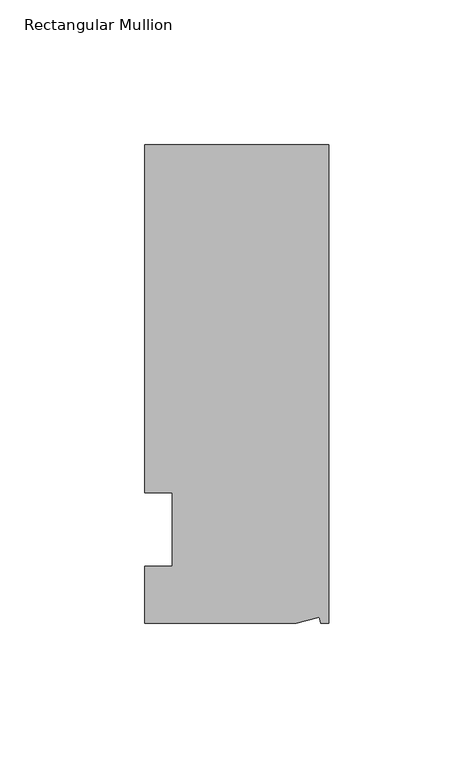
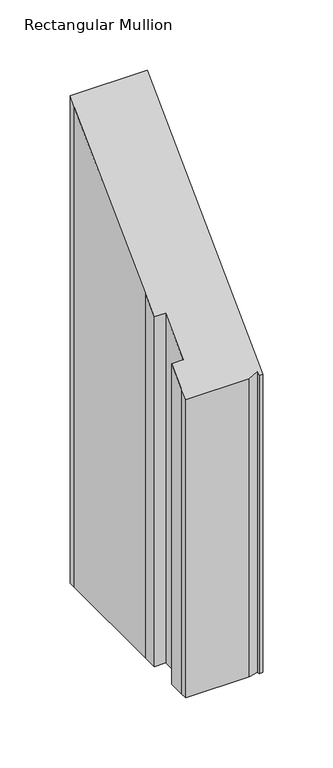
"""IFC4 building model written with IfcOpenShell, lengths in millimetres: member geometry, Rectangular Mullion."""

import ifcopenshell
import ifcopenshell.guid

model = None  # the IFC model being written
_history = None  # IfcOwnerHistory: only IFC2X3 demands one
_inside = {}  # id of a spatial element -> (the spatial element, [elements in it])
_under = {}  # id of a project, library or spatial element -> (it, [spatial elements below it])
_declared = {}  # id of a project -> (the project, [libraries it declares])
_typed = {}  # id of a type object -> (the type object, [elements of that type])
_made_of = {}  # id of a material, layer set ... -> (it, [elements and type objects made of it])


def new_model(schema):
    """Start an empty IFC model of exactly this schema.

    Asked for "IFC4X3", IfcOpenShell would pick the latest addendum, in which some entities
    have other attributes; the version numbers below select the first issue.
    IFC2X3 requires an IfcOwnerHistory on every rooted entity: one is made here for all.
    """
    global model, _history
    if schema == "IFC4X3":
        model = ifcopenshell.file(schema_version=(4, 3, 0, 0))
    else:
        model = ifcopenshell.file(schema=schema)
    _inside.clear()
    _under.clear()
    _declared.clear()
    _typed.clear()
    _made_of.clear()
    _history = None
    if model.schema == "IFC2X3":
        org = make("IfcOrganization", Name="unknown")
        user = make(
            "IfcPersonAndOrganization",
            ThePerson=make("IfcPerson", FamilyName="unknown"),
            TheOrganization=org,
        )
        app = make(
            "IfcApplication",
            ApplicationDeveloper=org,
            Version="unknown",
            ApplicationFullName="unknown",
            ApplicationIdentifier="unknown",
        )
        _history = make(
            "IfcOwnerHistory",
            OwningUser=user,
            OwningApplication=app,
            ChangeAction="ADDED",
            CreationDate=0,
        )
    return model


def make(cls, **values):
    """One entity of the class cls with the attributes given. An attribute that is None is left unset."""
    return model.create_entity(
        cls, **{name: value for name, value in values.items() if value is not None}
    )


def rooted(cls, **values):
    """An entity with a GlobalId (a new one), such as an element, a storey or a relation."""
    return make(cls, GlobalId=ifcopenshell.guid.new(), OwnerHistory=_history, **values)


def si_unit(unit_type, name, prefix=None):
    """IfcSIUnit, for example si_unit("LENGTHUNIT", "METRE", prefix="MILLI")."""
    return make("IfcSIUnit", UnitType=unit_type, Prefix=prefix, Name=name)


def assignment(units):
    """IfcUnitAssignment: the units of a project."""
    return None if units is None else make("IfcUnitAssignment", Units=units)


def point(xyz):
    """IfcCartesianPoint."""
    return None if xyz is None else make("IfcCartesianPoint", Coordinates=xyz)


def direction(xyz):
    """IfcDirection."""
    return None if xyz is None else make("IfcDirection", DirectionRatios=xyz)


def frame(location, z_axis=None, x_axis=None):
    """IfcAxis2Placement3D, a coordinate frame: its origin and axes. An axis left out is left unset."""
    return make(
        "IfcAxis2Placement3D",
        Location=point(location),
        Axis=direction(z_axis),
        RefDirection=direction(x_axis),
    )


def origin():
    """The frame at (0, 0, 0) with its axes left unset."""
    return frame((0.0, 0.0, 0.0))


def place(relative_to, where):
    """IfcLocalPlacement: puts the frame where relative to a parent placement (None: the world)."""
    return make(
        "IfcLocalPlacement", PlacementRelTo=relative_to, RelativePlacement=where
    )


def context(
    kind, dimensions, precision=None, world=None, true_north=None, identifier=None
):
    """IfcGeometricRepresentationContext, for example the 3D "Model" context."""
    return make(
        "IfcGeometricRepresentationContext",
        ContextIdentifier=identifier,
        ContextType=kind,
        CoordinateSpaceDimension=dimensions,
        Precision=precision,
        WorldCoordinateSystem=world,
        TrueNorth=true_north,
    )


def project(units=None, contexts=None):
    """IfcProject with its units and contexts."""
    return rooted(
        "IfcProject",
        Name="project",
        RepresentationContexts=contexts,
        UnitsInContext=assignment(units),
    )


def spatial(cls, under=None, at=None, **own):
    """A site, building, storey or space (cls), placed at a placement, below another one or the project."""
    s = rooted(cls, ObjectPlacement=at, **own)
    if under is not None:
        _under.setdefault(under.id(), (under, []))[1].append(s)
    return s


def faces_of(points, faces, orient=None, outer=None):
    """IfcFace entities. A face is a list of loops; a loop is a list of indices into points, from 0.

    orient and outer hold one flag for each loop. By default every Orientation is true, the
    first loop of a face is its IfcFaceOuterBound and the others are IfcFaceBound.
    """
    made = []
    for i, loops in enumerate(faces):
        bounds = []
        for j, loop in enumerate(loops):
            is_outer = j == 0 if outer is None else outer[i][j]
            bounds.append(
                make(
                    "IfcFaceOuterBound" if is_outer else "IfcFaceBound",
                    Bound=make("IfcPolyLoop", Polygon=[points[k] for k in loop]),
                    Orientation=True if orient is None else orient[i][j],
                )
            )
        made.append(make("IfcFace", Bounds=bounds))
    return made


def faceted_brep(points, faces, orient=None, outer=None, voids=None):
    """IfcFacetedBrep: a solid bounded by flat faces; with voids (closed shells), ...WithVoids."""
    shared = [point(p) for p in points]
    hull = make("IfcClosedShell", CfsFaces=faces_of(shared, faces, orient, outer))
    if voids is None:
        return make("IfcFacetedBrep", Outer=hull)
    return make(
        "IfcFacetedBrepWithVoids",
        Outer=hull,
        Voids=[
            make(cls, CfsFaces=faces_of(shared, fs, o, b)) for cls, fs, o, b in voids
        ],
    )


def shape(context_of_items, identifier, shape_type, items):
    """IfcShapeRepresentation: the items that make up one representation, for example the "Body"."""
    return make(
        "IfcShapeRepresentation",
        ContextOfItems=context_of_items,
        RepresentationIdentifier=identifier,
        RepresentationType=shape_type,
        Items=items,
    )


def source(mapping_origin, context_of_items, identifier, shape_type, items):
    """IfcRepresentationMap: a shape defined once, which mapped items show again and again."""
    return make(
        "IfcRepresentationMap",
        MappingOrigin=mapping_origin,
        MappedRepresentation=shape(context_of_items, identifier, shape_type, items),
    )


def transform(
    local_origin,
    x_axis=None,
    y_axis=None,
    z_axis=None,
    scale=None,
    scale2=None,
    scale3=None,
    uniform=True,
):
    """IfcCartesianTransformationOperator3D, or its non-uniform kind. x_axis, y_axis, z_axis: its Axis1, 2, 3."""
    if uniform:
        return make(
            "IfcCartesianTransformationOperator3D",
            Axis1=direction(x_axis),
            Axis2=direction(y_axis),
            LocalOrigin=point(local_origin),
            Scale=scale,
            Axis3=direction(z_axis),
        )
    return make(
        "IfcCartesianTransformationOperator3DnonUniform",
        Axis1=direction(x_axis),
        Axis2=direction(y_axis),
        LocalOrigin=point(local_origin),
        Scale=scale,
        Axis3=direction(z_axis),
        Scale2=scale2,
        Scale3=scale3,
    )


def mapped(mapping_source, mapping_target):
    """IfcMappedItem: shows the shape of a source again, moved by a transform."""
    return make(
        "IfcMappedItem", MappingSource=mapping_source, MappingTarget=mapping_target
    )


def made_of(thing, what):
    """Note that an element or type object is made of a material, layer set ...; save() writes the relation."""
    if what is not None:
        _made_of.setdefault(what.id(), (what, []))[1].append(thing)
    return thing


def element(
    cls,
    number,
    at=None,
    inside=None,
    cuts=None,
    type_object=None,
    material=None,
    context=None,
    identifier="Body",
    shape_type=None,
    held_by="IfcProductDefinitionShape",
    body=None,
    shapes=None,
    **own,
):
    """One element of the class cls, such as IfcWall. Its Tag is "e" and its number.

    at: its placement. inside: the storey or other place that contains it. cuts: it is an
    opening in that element (IfcRelVoidsElement). A single representation is given by context,
    identifier, shape_type and body (its items); several are given by shapes. held_by: the class
    of the entity that holds the representations. save() writes the other relations.
    """
    e = rooted(cls, Tag="e%d" % number, ObjectPlacement=at, **own)
    if body is not None:
        shapes = [shape(context, identifier, shape_type, body)]
    if shapes is not None:
        e.Representation = make(held_by, Representations=shapes)
    if inside is not None:
        _inside.setdefault(inside.id(), (inside, []))[1].append(e)
    if cuts is not None:
        rooted(
            "IfcRelVoidsElement", RelatingBuildingElement=cuts, RelatedOpeningElement=e
        )
    if type_object is not None:
        _typed.setdefault(type_object.id(), (type_object, []))[1].append(e)
    return made_of(e, material)


def aggregate(whole, parts):
    """IfcRelAggregates: a whole, such as a stair, and the parts it consists of."""
    return rooted("IfcRelAggregates", RelatingObject=whole, RelatedObjects=parts)


def save(model, path):
    """Write the relations noted so far, then the file.

    IfcRelAggregates (storeys below a building ...), IfcRelContainedInSpatialStructure (elements
    in a storey), IfcRelDefinesByType, IfcRelAssociatesMaterial and IfcRelDeclares: one each for
    every whole, place, type object, material and project.
    """
    for whole, parts in _under.values():
        aggregate(whole, parts)
    for where, things in _inside.values():
        rooted(
            "IfcRelContainedInSpatialStructure",
            RelatedElements=things,
            RelatingStructure=where,
        )
    for kind, things in _typed.values():
        rooted("IfcRelDefinesByType", RelatedObjects=things, RelatingType=kind)
    for what, things in _made_of.values():
        rooted("IfcRelAssociatesMaterial", RelatedObjects=things, RelatingMaterial=what)
    for by, libraries in _declared.values():
        rooted("IfcRelDeclares", RelatingContext=by, RelatedDefinitions=libraries)
    model.write(path)


def rectangular_mullion_ed3f55b6(model_context):
    return source(origin(), model_context, "Body", "Brep", [
        faceted_brep([(-3.3457217, -17.5748952, -17.5748952), (-11.1265412, -19.6597595, -19.6597595), (-11.1265412, -19.6597595, -279.4), (-3.3457217, -17.5748952, -279.4), (-2.787084, -19.6597595, -19.6597595), (-2.787084, -19.6597595, -279.4), (0.0, -19.6597595, -19.6597595), (0.0, -19.6597595, -279.4), (0.0, 145.4402405, 145.4402405), (0.0, 145.4402405, -279.4), (-63.5, 145.4402405, 145.4402405), (-63.5, 145.4402405, -279.4), (-63.5, 38.3358837, 38.3358837), (-63.5, 139.0912246, 139.0912246), (-63.5, 139.0912246, -279.4), (-63.5, 38.3358837, -279.4), (-53.975, 25.4, 25.4), (-63.5, 25.4, 25.4), (-63.5, 25.4, -279.4), (-53.975, 25.4, -279.4), (-53.975, 0.0, 0.0), (-53.975, 0.0, -279.4), (-63.5, 0.0, 0.0), (-63.5, 0.0, -279.4), (-63.5, -13.6093403, -13.6093403), (-63.5, -13.6093403, -279.4), (-63.5, -19.6597595, -19.6597595), (-63.5, -19.6597595, -279.4)], [[[0, 1, 2, 3]], [[4, 0, 3, 5]], [[6, 4, 5, 7]], [[8, 6, 7, 9]], [[10, 8, 9, 11]], [[12, 13, 14, 15]], [[16, 17, 18, 19]], [[20, 16, 19, 21]], [[22, 20, 21, 23]], [[24, 22, 23, 25]], [[1, 26, 27, 2]], [[1, 0, 4, 6, 8, 10, 13, 12, 17, 16, 20, 22, 24, 26]], [[2, 27, 25, 23, 21, 19, 18, 15, 14, 11, 9, 7, 5, 3]], [[13, 10, 11, 14]], [[17, 12, 15, 18]], [[26, 24, 25, 27]]]),
    ])


if __name__ == "__main__":
    model = new_model("IFC4")
    model_context = context("Model", 3, world=origin())
    ifc_project = project(units=[si_unit("LENGTHUNIT", "METRE", prefix="MILLI")], contexts=[model_context])
    site = spatial("IfcSite", under=ifc_project)
    building = spatial("IfcBuilding", under=site)
    placement = place(None, origin())
    rectangular_mullion_shape = rectangular_mullion_ed3f55b6(model_context)
    element("IfcMember", 1, ObjectType="Rectangular Mullion", at=placement, inside=building, context=model_context, shape_type="MappedRepresentation", body=[
        mapped(rectangular_mullion_shape, transform((0.0, 0.0, 0.0), x_axis=(1.0, 0.0, 0.0), y_axis=(0.0, 1.0, 0.0), z_axis=(0.0, 0.0, 1.0))),
    ])
    save(model, "model.ifc")
